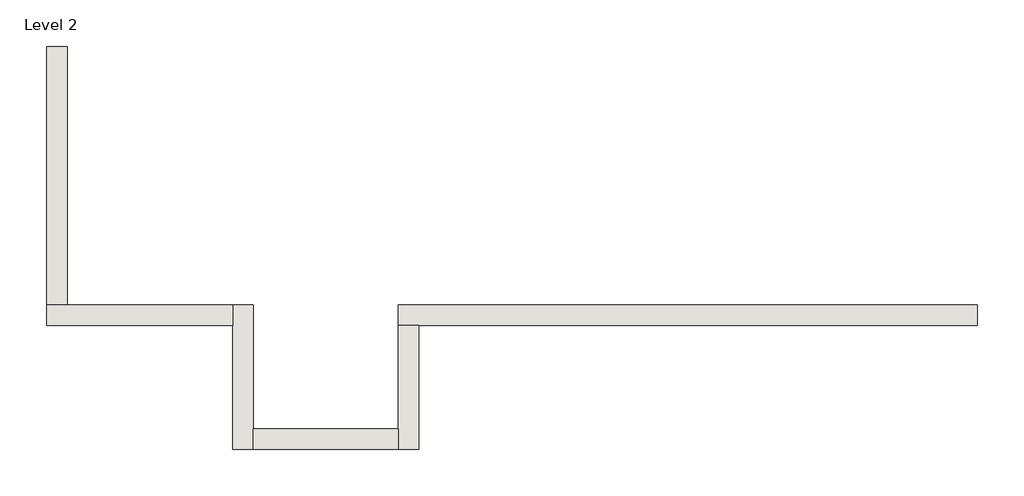
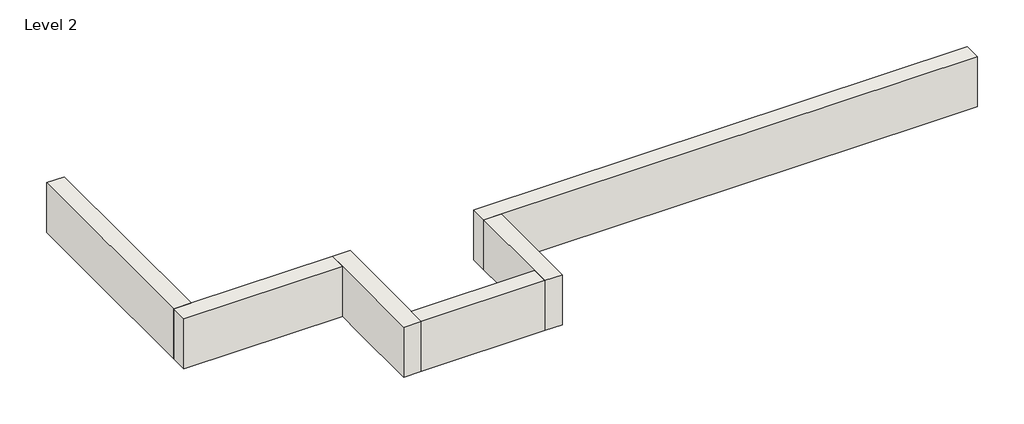
# One storey: 6 walls.
"""IFC4 building model written with IfcOpenShell, lengths in millimetres."""

from ifc_helpers import new_model, si_unit, frame, origin, place, context, project, spatial, polyline, outline, extrude, faceted_brep, element, save

model = new_model("IFC4")

# Units and contexts
model_context = context("Model", 3, world=origin())
ifc_project = project(units=[si_unit("LENGTHUNIT", "METRE", prefix="MILLI")], contexts=[model_context])

# Site, building, storey
site = spatial("IfcSite", under=ifc_project)
building = spatial("IfcBuilding", under=site)
storey = spatial("IfcBuildingStorey", under=building, Name="Level 2", Elevation=3048.0)

# Walls
placement = place(None, origin())
element("IfcWall", 1, ObjectType="Generic - 8\" Brick", at=placement, inside=storey, context=model_context, shape_type="Brep", body=[
    faceted_brep([(7315.157857, 1422.3976187, 3048.0), (6705.557857, 1422.3976187, 3048.0), (2438.357857, 1422.3976187, 3048.0), (1625.5602383, 1422.3976187, 3048.0), (1625.5602383, 1422.3976187, 3657.6), (7315.157857, 1422.3976187, 3657.6), (7315.157857, 1219.1976187, 3048.0), (7315.157857, 1219.1976187, 3657.6), (1828.7602383, 1219.1976187, 3657.6), (1625.5602383, 1219.1976187, 3657.6), (1625.5602383, 1219.1976187, 3048.0), (1828.7602383, 1219.1976187, 3048.0), (2438.357857, 1219.1976187, 3048.0), (6705.557857, 1219.1976187, 3048.0)], [[[0, 1, 2, 3, 4, 5]], [[6, 7, 8, 9, 10, 11, 12, 13]], [[3, 2, 1, 0, 6, 13, 12, 11, 10]], [[5, 4, 9, 8, 7]], [[0, 5, 7, 6]], [[4, 3, 10, 9]]]),
])
element("IfcWall", 2, ObjectType="Generic - 8\" Brick", at=placement, inside=storey, context=model_context, shape_type="Brep", body=[
    faceted_brep([(1625.5602383, 1219.1976187, 3048.0), (1625.5602383, 914.4, 3048.0), (1625.5602383, 203.2, 3048.0), (1625.5602383, 0.0, 3048.0), (1625.5602383, 0.0, 3657.6), (1625.5602383, 203.2, 3657.6), (1625.5602383, 1219.1976187, 3657.6), (1828.7602383, 1219.1976187, 3048.0), (1828.7602383, 1219.1976187, 3657.6), (1828.7602383, 0.0, 3657.6), (1828.7602383, 0.0, 3048.0), (1828.7602383, 914.4, 3048.0)], [[[0, 1, 2, 3, 4, 5, 6]], [[7, 8, 9, 10, 11]], [[3, 2, 1, 0, 7, 11, 10]], [[6, 5, 4, 9, 8]], [[0, 6, 8, 7]], [[4, 3, 10, 9]]]),
])
element("IfcWall", 3, ObjectType="Generic - 8\" Brick", at=placement, inside=storey, context=model_context, shape_type="SweptSolid", body=[
    extrude(outline(polyline([(203.157857, 203.2), (1625.5602383, 203.2), (1625.5602383, 0.0), (203.157857, 0.0), (203.157857, 203.2)])), frame((0.0, 0.0, 3048.0), z_axis=(0.0, 0.0, 1.0), x_axis=(1.0, 0.0, 0.0)), (0.0, 0.0, 1.0), 609.6),
])
element("IfcWall", 4, ObjectType="Generic - 8\" Brick", at=placement, inside=storey, context=model_context, shape_type="Brep", body=[
    faceted_brep([(203.157857, 0.0, 3048.0), (203.157857, 203.2, 3048.0), (203.157857, 914.4, 3048.0), (203.157857, 1219.1976187, 3048.0), (203.157857, 1422.3976187, 3048.0), (203.157857, 1422.3976187, 3657.6), (203.157857, 203.2, 3657.6), (203.157857, 0.0, 3657.6), (-0.042143, 0.0, 3048.0), (-0.042143, 0.0, 3657.6), (-0.042143, 1219.1976187, 3657.6), (-0.042143, 1422.3976187, 3657.6), (-0.042143, 1422.3976187, 3048.0), (-0.042143, 1219.1976187, 3048.0), (-0.042143, 914.4, 3048.0)], [[[0, 1, 2, 3, 4, 5, 6, 7]], [[8, 9, 10, 11, 12, 13, 14]], [[4, 3, 2, 1, 0, 8, 14, 13, 12]], [[7, 6, 5, 11, 10, 9]], [[0, 7, 9, 8]], [[5, 4, 12, 11]]]),
])
element("IfcWall", 5, ObjectType="Generic - 8\" Brick", at=placement, inside=storey, context=model_context, shape_type="Brep", body=[
    faceted_brep([(-0.042143, 1422.3976187, 3048.0), (-609.610393, 1422.3976187, 3048.0), (-1625.610393, 1422.3976187, 3048.0), (-1828.810393, 1422.3976187, 3048.0), (-1828.810393, 1422.3976187, 3657.6), (-1625.610393, 1422.3976187, 3657.6), (-0.042143, 1422.3976187, 3657.6), (-0.042143, 1219.1976187, 3048.0), (-0.042143, 1219.1976187, 3657.6), (-1828.810393, 1219.1976187, 3657.6), (-1828.810393, 1219.1976187, 3048.0), (-609.610393, 1219.1976187, 3048.0)], [[[0, 1, 2, 3, 4, 5, 6]], [[7, 8, 9, 10, 11]], [[3, 2, 1, 0, 7, 11, 10]], [[6, 5, 4, 9, 8]], [[0, 6, 8, 7]], [[4, 3, 10, 9]]]),
])
element("IfcWall", 6, ObjectType="Generic - 8\" Brick", at=placement, inside=storey, context=model_context, shape_type="Brep", body=[
    faceted_brep([(-1625.610393, 1422.3976187, 3048.0), (-1625.610393, 3047.96825, 3048.0), (-1625.610393, 3962.36825, 3048.0), (-1625.610393, 3962.36825, 3657.6), (-1625.610393, 1422.3976187, 3657.6), (-1828.810393, 1422.3976187, 3048.0), (-1828.810393, 1422.3976187, 3657.6), (-1828.810393, 3962.36825, 3657.6), (-1828.810393, 3962.36825, 3048.0), (-1828.810393, 3047.96825, 3048.0)], [[[0, 1, 2, 3, 4]], [[5, 6, 7, 8, 9]], [[2, 1, 0, 5, 9, 8]], [[3, 2, 8, 7]], [[4, 3, 7, 6]], [[0, 4, 6, 5]]]),
])

save(model, "model.ifc")
